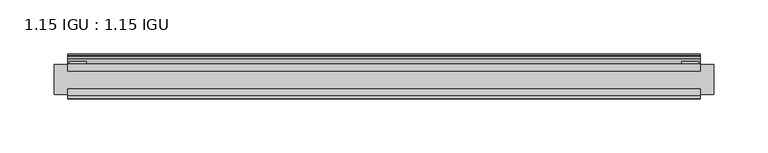
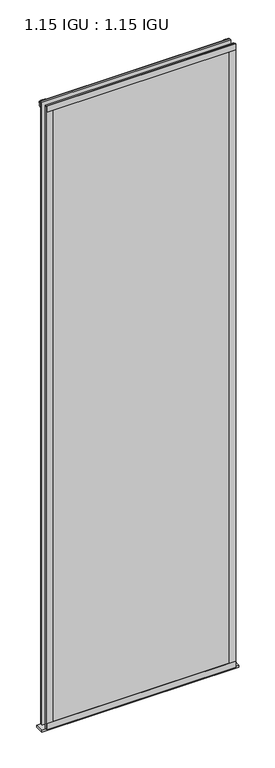
"""IFC4 building model written with IfcOpenShell, lengths in millimetres: plate geometry, 1.15 IGU : 1.15 IGU."""

from ifc_helpers import new_model, si_unit, point, frame, frame_2d, origin, place, context, project, spatial, polyline, circle_curve, trimmed, segment, composite_curve, outline, extrude, source, transform, mapped, element, save


def plate_1_15_igu_1_15_igu_ba01a491(model_context):
    return source(origin(), model_context, "Body", "SweptSolid", [
        extrude(outline(polyline([(292.1, 0.0), (292.1, -6.2992), (-292.1, -6.2992), (-292.1, 0.0), (292.1, 0.0)])), frame((0.0, 0.0, -19.05), z_axis=(0.0, 0.0, 1.0), x_axis=(1.0, 0.0, 0.0)), (0.0, 0.0, 1.0), 2036.7498001),
        extrude(outline(polyline([(-292.1, -23.1648), (292.1, -23.1648), (292.1, -29.464), (-292.1, -29.464), (-292.1, -23.1648)])), frame((0.0, 0.0, -19.05), z_axis=(0.0, 0.0, 1.0), x_axis=(1.0, 0.0, 0.0)), (0.0, 0.0, 1.0), 2036.7498001),
        extrude(outline(composite_curve([segment(trimmed(circle_curve(frame_2d((10.9021792, -22.6833935)), 11.4916952), [point((0.0, -19.05))], [point((-0.2638007, -25.4))], True, "CARTESIAN"), True, "CONTINUOUS"), segment(polyline([(-0.2638007, -25.4), (-27.9952564, -25.4), (-27.9952564, -19.05), (0.0, -19.05)]), True, "CONTINUOUS")], self_intersect=False)), frame((-304.8, 0.0, 0.0), z_axis=(1.0, 0.0, 0.0), x_axis=(0.0, 1.0, 0.0)), (0.0, 0.0, 1.0), 609.6),
        extrude(outline(polyline([(-292.1, -31.75), (-292.1, -29.464), (292.1, -29.464), (292.1, -31.75), (-292.1, -31.75)])), frame((0.0, 0.0, -19.05), z_axis=(0.0, 0.0, 1.0), x_axis=(1.0, 0.0, 0.0)), (0.0, 0.0, 1.0), 19.05),
        extrude(outline(composite_curve([segment(trimmed(circle_curve(frame_2d((-23.3689302, 2041.8664901)), 40.3187601), [point((0.0, 2009.0108131))], [point((4.9746073, 2013.1916528))], True, "CARTESIAN"), True, "CONTINUOUS"), segment(trimmed(circle_curve(frame_2d((5.8674, 2012.2884246)), 1.27), [point((4.9746073, 2013.1916528))], [point((7.1374, 2012.2884246))], False, "CARTESIAN"), True, "CONTINUOUS"), segment(polyline([(7.1374, 2012.2884246), (7.1374, 2007.8876169), (7.7309478, 2005.6724663), (6.35, 2005.4379789), (6.35, 2000.2500001), (9.3980339, 2000.2500001), (9.3980339, 1998.8684051)]), True, "CONTINUOUS"), segment(trimmed(circle_curve(frame_2d((13.6593785, 1967.8551528)), 31.3046461), [point((9.3980339, 1998.8684051))], [point((0.0, 1996.0225498))], True, "CARTESIAN"), True, "CONTINUOUS"), segment(polyline([(0.0, 1996.0225498), (0.0, 2009.0108131)]), True, "CONTINUOUS")], self_intersect=False)), frame((-292.1, 0.0, 0.0), z_axis=(1.0, 0.0, 0.0), x_axis=(0.0, 1.0, 0.0)), (0.0, 0.0, 1.0), 584.2),
        extrude(outline(polyline([(-292.1, -31.75), (-292.1, -29.464), (292.1, -29.464), (292.1, -31.75), (-292.1, -31.75)])), frame((0.0, 0.0, 2000.2500001), z_axis=(0.0, 0.0, 1.0), x_axis=(1.0, 0.0, 0.0)), (0.0, 0.0, 1.0), 19.05),
        extrude(outline(polyline([(273.05, -29.464), (292.1, -29.464), (292.1, -31.75), (273.05, -31.75), (273.05, -29.464)])), frame((0.0, 0.0, -19.05), z_axis=(0.0, 0.0, 1.0), x_axis=(1.0, 0.0, 0.0)), (0.0, 0.0, 1.0), 2036.7498001),
        extrude(outline(polyline([(290.8935, 2.2860088), (290.8935, 0.0021347), (275.0185, 0.0021347), (275.0185, 2.2860088), (290.8935, 2.2860088)])), frame((0.0, 0.0, -19.05), z_axis=(0.0, 0.0, 1.0), x_axis=(1.0, 0.0, 0.0)), (0.0, 0.0, 1.0), 2036.7498001),
        extrude(outline(polyline([(-292.1, -31.75), (-292.1, -29.464), (-273.05, -29.464), (-273.05, -31.75), (-292.1, -31.75)])), frame((0.0, 0.0, -19.05), z_axis=(0.0, 0.0, 1.0), x_axis=(1.0, 0.0, 0.0)), (0.0, 0.0, 1.0), 2036.7498001),
        extrude(outline(polyline([(-290.8935, 0.0), (-290.8935, 2.286), (-275.0185, 2.286), (-275.0185, 0.0), (-290.8935, 0.0)])), frame((0.0, 0.0, -19.05), z_axis=(0.0, 0.0, 1.0), x_axis=(1.0, 0.0, 0.0)), (0.0, 0.0, 1.0), 2036.7498001),
    ])


if __name__ == "__main__":
    model = new_model("IFC4")
    model_context = context("Model", 3, world=origin())
    ifc_project = project(units=[si_unit("LENGTHUNIT", "METRE", prefix="MILLI")], contexts=[model_context])
    site = spatial("IfcSite", under=ifc_project)
    building = spatial("IfcBuilding", under=site)
    placement = place(None, origin())
    plate_1_15_igu_1_15_igu_shape = plate_1_15_igu_1_15_igu_ba01a491(model_context)
    element("IfcPlate", 1, ObjectType="1.15 IGU : 1.15 IGU", at=placement, inside=building, context=model_context, shape_type="MappedRepresentation", body=[
        mapped(plate_1_15_igu_1_15_igu_shape, transform((0.0, 0.0, 0.0), x_axis=(1.0, 0.0, 0.0), y_axis=(0.0, 1.0, 0.0), z_axis=(0.0, 0.0, 1.0))),
    ])
    save(model, "model.ifc")
